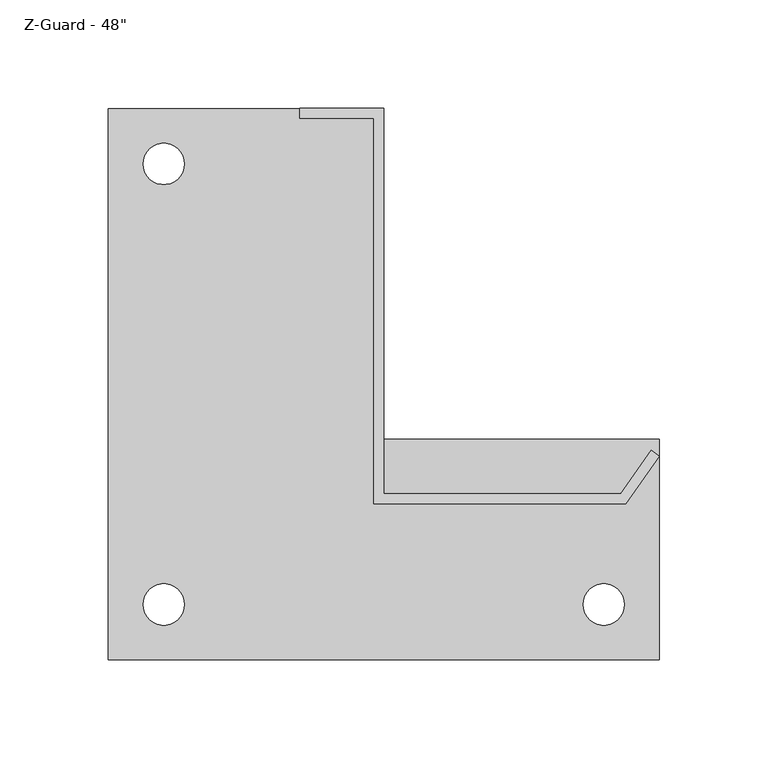
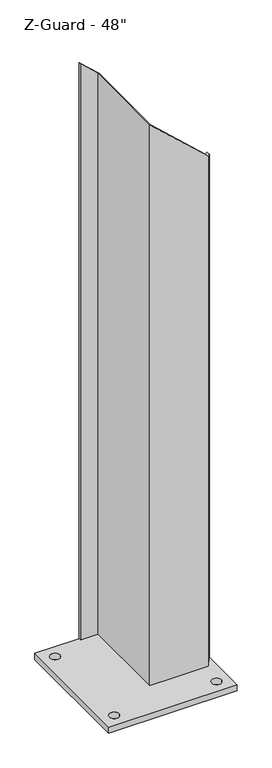
"""IFC4 building model written with IfcOpenShell, lengths in millimetres: proxy geometry."""

from ifc_helpers import new_model, si_unit, point, frame_2d, origin, origin_with_axes, place, context, project, spatial, polyline, circle_curve, trimmed, segment, composite_curve, outline, extrude, faceted_brep, source, transform, mapped, element, save


def proxy_0600efd8(model_context):
    return source(origin(), model_context, "Body", "SolidModel", [
        extrude(outline(polyline([(-170.8184232, -161.925), (-170.8184232, 92.075), (-43.8184232, 92.075), (-43.8184232, -60.325), (83.1815768, -60.325), (83.1815768, -161.925), (-170.8184232, -161.925)]), holes=[composite_curve([segment(trimmed(circle_curve(frame_2d((-145.2898945, 66.675)), 9.525), [point((-154.8148945, 66.675))], [point((-135.7648945, 66.675))], True, "CARTESIAN"), True, "CONTINUOUS"), segment(trimmed(circle_curve(frame_2d((-145.2898945, 66.675)), 9.525), [point((-135.7648945, 66.675))], [point((-154.8148945, 66.675))], True, "CARTESIAN"), True, "CONTINUOUS")], self_intersect=False), composite_curve([segment(trimmed(circle_curve(frame_2d((-145.2898945, -136.525)), 9.525), [point((-154.8148945, -136.525))], [point((-135.7648945, -136.525))], True, "CARTESIAN"), True, "CONTINUOUS"), segment(trimmed(circle_curve(frame_2d((-145.2898945, -136.525)), 9.525), [point((-135.7648945, -136.525))], [point((-154.8148945, -136.525))], True, "CARTESIAN"), True, "CONTINUOUS")], self_intersect=False), composite_curve([segment(trimmed(circle_curve(frame_2d((57.6530481, -136.525)), 9.525), [point((48.1280481, -136.525))], [point((67.1780481, -136.525))], True, "CARTESIAN"), True, "CONTINUOUS"), segment(trimmed(circle_curve(frame_2d((57.6530481, -136.525)), 9.525), [point((67.1780481, -136.525))], [point((48.1280481, -136.525))], True, "CARTESIAN"), True, "CONTINUOUS")], self_intersect=False)]), origin_with_axes(), (0.0, 0.0, 1.0), 12.7),
        faceted_brep([(-48.3904232, 87.503, 12.7), (-82.55, 87.503, 12.7), (-82.55, 92.075, 12.7), (-43.8184232, 92.075, 12.7), (-43.8184232, -85.725, 12.7), (65.396319, -85.725, 12.7), (79.436423, -65.6736558, 12.7), (83.1815768, -68.296028, 12.7), (67.7763498, -90.297, 12.7), (-48.3904232, -90.297, 12.7), (-48.3904232, -90.297, 1187.7882461), (-48.3904232, 87.503, 1187.7882461), (67.7763498, -90.297, 1080.9660186), (83.1815768, -68.296028, 1066.8), (79.436423, -65.6736558, 1070.2438907), (65.396319, -85.725, 1083.1545978), (-43.8184232, -85.725, 1183.5840213), (-43.8184232, 92.075, 1183.5840213), (-82.55, 92.075, 1219.2), (-82.55, 87.503, 1219.2)], [[[0, 1, 2, 3, 4, 5, 6, 7, 8, 9]], [[0, 9, 10, 11]], [[9, 8, 12, 10]], [[8, 7, 13, 12]], [[7, 6, 14, 13]], [[6, 5, 15, 14]], [[5, 4, 16, 15]], [[4, 3, 17, 16]], [[3, 2, 18, 17]], [[2, 1, 19, 18]], [[1, 0, 11, 19]], [[11, 10, 12, 13, 14, 15, 16, 17, 18, 19]]]),
    ])


if __name__ == "__main__":
    model = new_model("IFC4")
    model_context = context("Model", 3, world=origin())
    ifc_project = project(units=[si_unit("LENGTHUNIT", "METRE", prefix="MILLI")], contexts=[model_context])
    site = spatial("IfcSite", under=ifc_project)
    building = spatial("IfcBuilding", under=site)
    placement = place(None, origin())
    proxy_shape = proxy_0600efd8(model_context)
    element("IfcBuildingElementProxy", 1, Name="Z-Guard - 48\"", ObjectType="Z-Guard - 48\"", at=placement, inside=building, context=model_context, shape_type="MappedRepresentation", body=[
        mapped(proxy_shape, transform((0.0, 0.0, 0.0), x_axis=(1.0, 0.0, 0.0), y_axis=(0.0, 1.0, 0.0), z_axis=(0.0, 0.0, 1.0))),
    ])
    save(model, "model.ifc")
